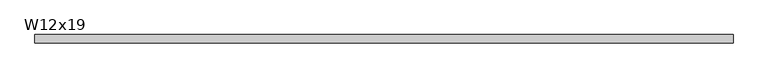
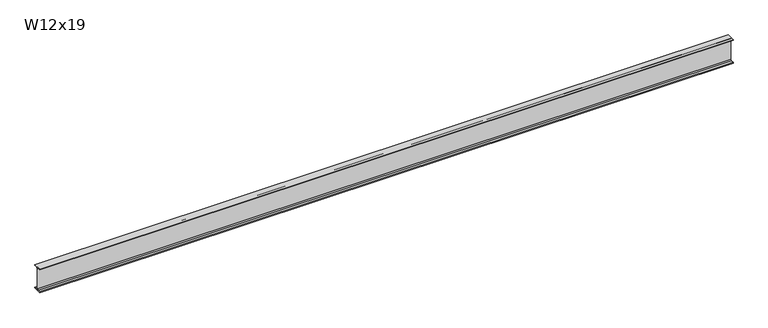
"""IFC4 building model written with IfcOpenShell, lengths in millimetres: beam geometry, W12x19."""

from ifc_helpers import new_model, si_unit, point, frame, frame_2d, origin, place, context, project, spatial, polyline, circle_curve, trimmed, segment, composite_curve, outline, extrude, source, transform, mapped, element, save


def w12x19_4b1e71c4(model_context):
    return source(origin(), model_context, "Body", "SweptSolid", [
        extrude(outline(composite_curve([segment(polyline([(50.927, -146.05), (50.927, -154.94), (-50.927, -154.94), (-50.927, -146.05), (-16.3195, -146.05)]), True, "CONTINUOUS"), segment(trimmed(circle_curve(frame_2d((-16.3195, -132.715)), 13.335), [point((-16.3195, -146.05))], [point((-2.9845, -132.715))], True, "CARTESIAN"), True, "CONTINUOUS"), segment(polyline([(-2.9845, -132.715), (-2.9845, 132.715)]), True, "CONTINUOUS"), segment(trimmed(circle_curve(frame_2d((-16.3195, 132.715)), 13.335), [point((-2.9845, 132.715))], [point((-16.3195, 146.05))], True, "CARTESIAN"), True, "CONTINUOUS"), segment(polyline([(-16.3195, 146.05), (-50.927, 146.05), (-50.927, 154.94), (50.927, 154.94), (50.927, 146.05), (16.3195, 146.05)]), True, "CONTINUOUS"), segment(trimmed(circle_curve(frame_2d((16.3195, 132.715)), 13.335), [point((16.3195, 146.05))], [point((2.9845, 132.715))], True, "CARTESIAN"), True, "CONTINUOUS"), segment(polyline([(2.9845, 132.715), (2.9845, -132.715)]), True, "CONTINUOUS"), segment(trimmed(circle_curve(frame_2d((16.3195, -132.715)), 13.335), [point((2.9845, -132.715))], [point((16.3195, -146.05))], True, "CARTESIAN"), True, "CONTINUOUS"), segment(polyline([(16.3195, -146.05), (50.927, -146.05)]), True, "CONTINUOUS")], self_intersect=False)), frame((-4343.5561294, 0.0, 0.0), z_axis=(1.0, 0.0, 0.0), x_axis=(0.0, 1.0, 0.0)), (0.0, 0.0, 1.0), 8676.5454906),
    ])


if __name__ == "__main__":
    model = new_model("IFC4")
    model_context = context("Model", 3, world=origin())
    ifc_project = project(units=[si_unit("LENGTHUNIT", "METRE", prefix="MILLI")], contexts=[model_context])
    site = spatial("IfcSite", under=ifc_project)
    building = spatial("IfcBuilding", under=site)
    placement = place(None, origin())
    w12x19_shape = w12x19_4b1e71c4(model_context)
    element("IfcBeam", 1, ObjectType="W12x19", at=placement, inside=building, context=model_context, shape_type="MappedRepresentation", body=[
        mapped(w12x19_shape, transform((0.0, 0.0, 0.0), x_axis=(1.0, 0.0, 0.0), y_axis=(0.0, 1.0, 0.0), z_axis=(0.0, 0.0, 1.0))),
    ])
    save(model, "model.ifc")
